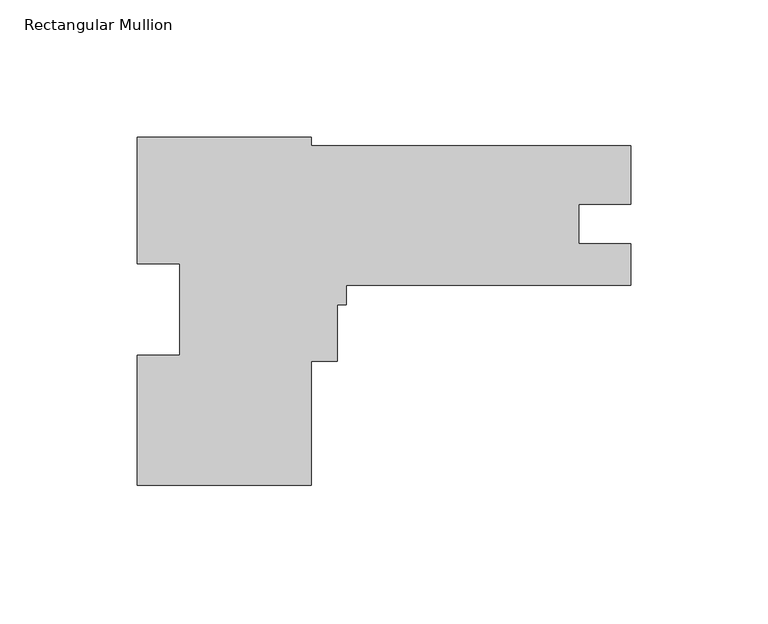
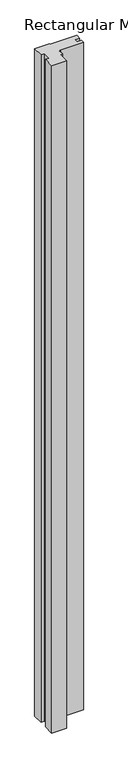
"""IFC4 building model written with IfcOpenShell, lengths in millimetres: member geometry, Rectangular Mullion."""

from ifc_helpers import new_model, si_unit, frame, origin, place, context, project, spatial, polyline, outline, extrude, source, transform, mapped, element, save


def rectangular_mullion_546000d9(model_context):
    return source(origin(), model_context, "Body", "SweptSolid", [
        extrude(outline(polyline([(-116.5860013, -127.0), (-180.0860013, -127.0), (-180.0860013, -79.4901192), (-164.5920013, -79.4901192), (-164.5920013, -46.1812654), (-180.0860013, -46.1812654), (-180.0860013, 0.0), (-116.5860013, 0.0), (-116.5860013, -3.175), (-1.3e-06, -3.175), (-1.3e-06, -24.5618066), (-19.0246, -24.5618066), (-19.0246, -38.8747), (0.0, -38.8747), (0.0, -53.975), (-103.8860013, -53.975), (-103.8860013, -61.137546), (-107.0610013, -61.137546), (-107.0610013, -81.762346), (-116.5860013, -81.762346), (-116.5860013, -127.0)])), frame((0.0, 0.0, -3048.0), z_axis=(0.0, 0.0, 1.0), x_axis=(1.0, 0.0, 0.0)), (0.0, 0.0, 1.0), 3048.0),
    ])


if __name__ == "__main__":
    model = new_model("IFC4")
    model_context = context("Model", 3, world=origin())
    ifc_project = project(units=[si_unit("LENGTHUNIT", "METRE", prefix="MILLI")], contexts=[model_context])
    site = spatial("IfcSite", under=ifc_project)
    building = spatial("IfcBuilding", under=site)
    placement = place(None, origin())
    rectangular_mullion_shape = rectangular_mullion_546000d9(model_context)
    element("IfcMember", 1, ObjectType="Rectangular Mullion", at=placement, inside=building, context=model_context, shape_type="MappedRepresentation", body=[
        mapped(rectangular_mullion_shape, transform((0.0, 0.0, 0.0), x_axis=(1.0, 0.0, 0.0), y_axis=(0.0, 1.0, 0.0), z_axis=(0.0, 0.0, 1.0))),
    ])
    save(model, "model.ifc")
